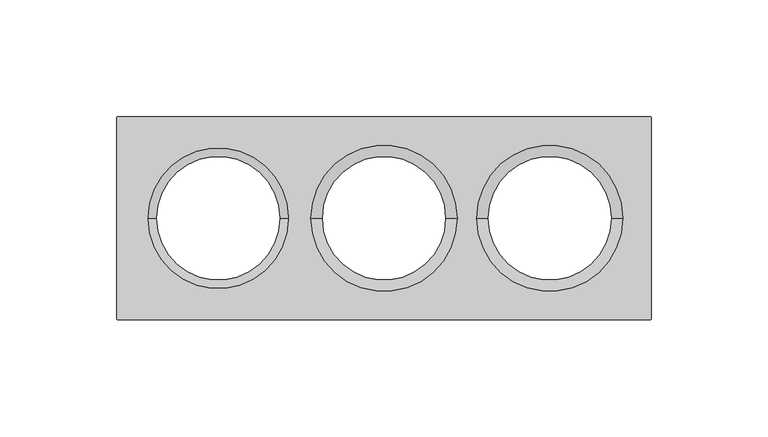
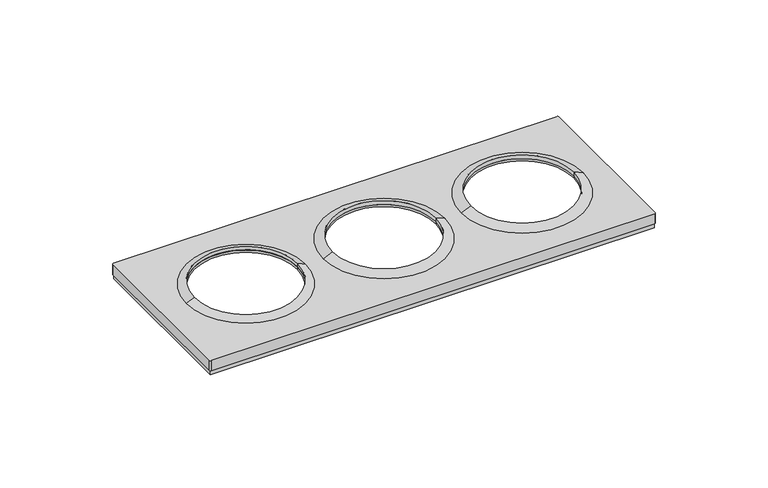
"""IFC4 building model written with IfcOpenShell, lengths in millimetres: proxy geometry."""

from ifc_helpers import new_model, si_unit, frame, origin, origin_with_axes, place, context, project, spatial, polyline, circle_curve, outline, extrude, source, transform, mapped, element, save
from ifc_brep_helpers import plane_surface, cylinder_surface, revolved_surface, advanced_brep


def electrical_fixtures_28dfe4ef(model_context):
    return source(origin(), model_context, "Body", "SolidModel", [
        advanced_brep(
        [(102.2841563, 0.0, 8.0076008), (39.7158437, 0.0, 8.0076008), (44.5, 0.0, 10.1), (97.5, 0.0, 10.1), (97.5, 0.0, 8.0076008), (44.5, 0.0, 8.0076008)],
        [
            (0, 1, circle_curve(frame((71.0, 0.0, 8.0076008), z_axis=(0.0, 0.0, 1.0), x_axis=(-1.0, 0.0, 0.0)), 31.2841563)),
            (1, 2),
            (2, 3, circle_curve(frame((71.0, 0.0, 10.1), z_axis=(0.0, 0.0, -1.0), x_axis=(-1.0, 0.0, 0.0)), 26.5)),
            (3, 0),
            (1, 0, circle_curve(frame((71.0, 0.0, 8.0076008), z_axis=(0.0, 0.0, 1.0), x_axis=(-1.0, 0.0, 0.0)), 31.2841563)),
            (3, 2, circle_curve(frame((71.0, 0.0, 10.1), z_axis=(0.0, 0.0, -1.0), x_axis=(-1.0, 0.0, 0.0)), 26.5)),
            (0, 4),
            (4, 5, circle_curve(frame((71.0, 0.0, 8.0076008), z_axis=(0.0, 0.0, 1.0), x_axis=(-1.0, 0.0, 0.0)), 26.5)),
            (5, 1),
            (5, 4, circle_curve(frame((71.0, 0.0, 8.0076008), z_axis=(0.0, 0.0, 1.0), x_axis=(-1.0, 0.0, 0.0)), 26.5)),
            (2, 5),
            (4, 3),
        ],
        [
            revolved_surface(polyline([(44.5, 0.0, 10.1), (39.7158437, 0.0, 8.0076008)]), (71.0, 0.0, 2609.0581012), (0.0, 0.0, -1.0)),
            plane_surface(frame((71.0, 0.0, 8.0076008), z_axis=(0.0, 0.0, -1.0), x_axis=(-1.0, 0.0, 0.0))),
            revolved_surface(polyline([(44.5, 0.0, 8.007600800000091), (44.5, 0.0, 10.099999999999909)]), (71.0, 0.0, 2609.0581012), (0.0, 0.0, -1.0)),
        ],
        [
            (0, [[1, 2, 3, 4]]),
            (0, [[-2, 5, -4, 6]]),
            (1, [[-1, 7, 8, 9]]),
            (1, [[-5, -9, 10, -7]]),
            (2, [[-3, 11, -8, 12]]),
            (2, [[-6, -12, -10, -11]]),
        ],
    ),
        advanced_brep(
        [(31.2841563, 0.0, 8.0076008), (-31.2841563, 0.0, 8.0076008), (-26.5, 0.0, 10.1), (26.5, 0.0, 10.1), (26.5, 0.0, 8.0076008), (-26.5, 0.0, 8.0076008)],
        [
            (0, 1, circle_curve(frame((0.0, 0.0, 8.0076008), z_axis=(0.0, 0.0, 1.0), x_axis=(-1.0, 0.0, 0.0)), 31.2841563)),
            (1, 2),
            (2, 3, circle_curve(frame((0.0, 0.0, 10.1), z_axis=(0.0, 0.0, -1.0), x_axis=(-1.0, 0.0, 0.0)), 26.5)),
            (3, 0),
            (1, 0, circle_curve(frame((0.0, 0.0, 8.0076008), z_axis=(0.0, 0.0, 1.0), x_axis=(-1.0, 0.0, 0.0)), 31.2841563)),
            (3, 2, circle_curve(frame((0.0, 0.0, 10.1), z_axis=(0.0, 0.0, -1.0), x_axis=(-1.0, 0.0, 0.0)), 26.5)),
            (0, 4),
            (4, 5, circle_curve(frame((0.0, 0.0, 8.0076008), z_axis=(0.0, 0.0, 1.0), x_axis=(-1.0, 0.0, 0.0)), 26.5)),
            (5, 1),
            (5, 4, circle_curve(frame((0.0, 0.0, 8.0076008), z_axis=(0.0, 0.0, 1.0), x_axis=(-1.0, 0.0, 0.0)), 26.5)),
            (2, 5),
            (4, 3),
        ],
        [
            revolved_surface(polyline([(-26.5, 0.0, 10.1), (-31.2841563, 0.0, 8.0076008)]), (0.0, 0.0, 2609.0581012), (0.0, 0.0, -1.0)),
            plane_surface(frame((0.0, 0.0, 8.0076008), z_axis=(0.0, 0.0, -1.0), x_axis=(-1.0, 0.0, 0.0))),
            revolved_surface(polyline([(-26.5, 0.0, 8.007600800000091), (-26.5, 0.0, 10.099999999999909)]), (0.0, 0.0, 2609.0581012), (0.0, 0.0, -1.0)),
        ],
        [
            (0, [[1, 2, 3, 4]]),
            (0, [[-2, 5, -4, 6]]),
            (1, [[-1, 7, 8, 9]]),
            (1, [[-5, -9, 10, -7]]),
            (2, [[-3, 11, -8, 12]]),
            (2, [[-6, -12, -10, -11]]),
        ],
    ),
        advanced_brep(
        [(-114.5, -42.9369707, 8.0076008), (-113.9369707, -43.5, 8.0076008), (113.9369707, -43.5, 8.0076008), (114.5, -42.9369707, 8.0076008), (114.5, 42.9369707, 8.0076008), (113.9369707, 43.5, 8.0076008), (-113.9369707, 43.5, 8.0076008), (-114.5, 42.9369707, 8.0076008), (-97.5, 0.0, 8.0076008), (-44.5, 0.0, 8.0076008), (-26.5, 0.0, 8.0076008), (26.5, 0.0, 8.0076008), (44.5, 0.0, 8.0076008), (97.5, 0.0, 8.0076008), (-114.5, -42.9369707, 2.5), (-114.5, 42.9369707, 2.5), (-113.9369707, 43.5, 2.5), (113.9369707, 43.5, 2.5), (114.5, 42.9369707, 2.5), (114.5, -42.9369707, 2.5), (113.9369707, -43.5, 2.5), (-113.9369707, -43.5, 2.5), (113.5, 42.5, 2.5), (-113.5, 42.5, 2.5), (-113.5, -42.5, 2.5), (113.5, -42.5, 2.5), (-97.5, 0.0, 6.7956384), (-44.5, 0.0, 6.7956384), (113.5, 42.5, 6.7956384), (113.5, -42.5, 6.7956384), (-113.5, -42.5, 6.7956384), (-113.5, 42.5, 6.7956384), (26.5, 0.0, 6.7956384), (-26.5, 0.0, 6.7956384), (97.5, 0.0, 6.7956384), (44.5, 0.0, 6.7956384)],
        [
            (0, 1, circle_curve(frame((-113.9369707, -42.9369707, 8.0076008), z_axis=(0.0, 0.0, 1.0), x_axis=(1.0, 0.0, 0.0)), 0.5630293)),
            (1, 2),
            (2, 3, circle_curve(frame((113.9369707, -42.9369707, 8.0076008), z_axis=(0.0, 0.0, 1.0), x_axis=(-1.0, 0.0, 0.0)), 0.5630293)),
            (3, 4),
            (4, 5, circle_curve(frame((113.9369707, 42.9369707, 8.0076008), z_axis=(0.0, 0.0, 1.0), x_axis=(-1.0, 0.0, 0.0)), 0.5630293)),
            (5, 6),
            (6, 7, circle_curve(frame((-113.9369707, 42.9369707, 8.0076008), z_axis=(0.0, 0.0, 1.0), x_axis=(1.0, 0.0, 0.0)), 0.5630293)),
            (7, 0),
            (8, 9, circle_curve(frame((-71.0, 0.0, 8.0076008), z_axis=(0.0, 0.0, -1.0), x_axis=(-1.0, 0.0, 0.0)), 26.5)),
            (9, 8, circle_curve(frame((-71.0, 0.0, 8.0076008), z_axis=(0.0, 0.0, -1.0), x_axis=(-1.0, 0.0, 0.0)), 26.5)),
            (10, 11, circle_curve(frame((0.0, 0.0, 8.0076008), z_axis=(0.0, 0.0, -1.0), x_axis=(-1.0, 0.0, 0.0)), 26.5)),
            (11, 10, circle_curve(frame((0.0, 0.0, 8.0076008), z_axis=(0.0, 0.0, -1.0), x_axis=(-1.0, 0.0, 0.0)), 26.5)),
            (12, 13, circle_curve(frame((71.0, 0.0, 8.0076008), z_axis=(0.0, 0.0, -1.0), x_axis=(-1.0, 0.0, 0.0)), 26.5)),
            (13, 12, circle_curve(frame((71.0, 0.0, 8.0076008), z_axis=(0.0, 0.0, -1.0), x_axis=(-1.0, 0.0, 0.0)), 26.5)),
            (14, 15),
            (15, 16, circle_curve(frame((-113.9369707, 42.9369707, 2.5), z_axis=(0.0, 0.0, -1.0), x_axis=(1.0, 0.0, 0.0)), 0.5630293)),
            (16, 17),
            (17, 18, circle_curve(frame((113.9369707, 42.9369707, 2.5), z_axis=(0.0, 0.0, -1.0), x_axis=(-1.0, 0.0, 0.0)), 0.5630293)),
            (18, 19),
            (19, 20, circle_curve(frame((113.9369707, -42.9369707, 2.5), z_axis=(0.0, 0.0, -1.0), x_axis=(-1.0, 0.0, 0.0)), 0.5630293)),
            (20, 21),
            (21, 14, circle_curve(frame((-113.9369707, -42.9369707, 2.5), z_axis=(0.0, 0.0, -1.0), x_axis=(1.0, 0.0, 0.0)), 0.5630293)),
            (22, 23),
            (23, 24),
            (24, 25),
            (25, 22),
            (0, 14),
            (21, 1),
            (20, 2),
            (19, 3),
            (18, 4),
            (17, 5),
            (16, 6),
            (15, 7),
            (8, 26),
            (26, 27, circle_curve(frame((-71.0, 0.0, 6.7956384), z_axis=(0.0, 0.0, -1.0), x_axis=(-1.0, 0.0, 0.0)), 26.5)),
            (27, 9),
            (27, 26, circle_curve(frame((-71.0, 0.0, 6.7956384), z_axis=(0.0, 0.0, -1.0), x_axis=(-1.0, 0.0, 0.0)), 26.5)),
            (28, 29),
            (29, 30),
            (30, 31),
            (31, 28),
            (32, 33, circle_curve(frame((0.0, 0.0, 6.7956384), z_axis=(0.0, 0.0, 1.0), x_axis=(-1.0, 0.0, 0.0)), 26.5)),
            (33, 32, circle_curve(frame((0.0, 0.0, 6.7956384), z_axis=(0.0, 0.0, 1.0), x_axis=(-1.0, 0.0, 0.0)), 26.5)),
            (34, 35, circle_curve(frame((71.0, 0.0, 6.7956384), z_axis=(0.0, 0.0, 1.0), x_axis=(-1.0, 0.0, 0.0)), 26.5)),
            (35, 34, circle_curve(frame((71.0, 0.0, 6.7956384), z_axis=(0.0, 0.0, 1.0), x_axis=(-1.0, 0.0, 0.0)), 26.5)),
            (31, 23),
            (22, 28),
            (30, 24),
            (29, 25),
            (32, 11),
            (10, 33),
            (34, 13),
            (12, 35),
        ],
        [
            plane_surface(frame((-113.3739414, -42.9369707, 8.0076008), z_axis=(0.0, 0.0, 1.0), x_axis=(0.0, 1.0, 0.0))),
            plane_surface(frame((-113.3739414, -42.9369707, 2.5), z_axis=(0.0, 0.0, -1.0), x_axis=(0.0, -1.0, 0.0))),
            cylinder_surface(frame((-113.9369707, -42.9369707, 2.5), z_axis=(0.0, 0.0, 1.0), x_axis=(1.0, 0.0, 0.0)), 0.5630293),
            plane_surface(frame((-113.9369707, -43.5, 8.0076008), z_axis=(0.0, -1.0, 0.0), x_axis=(0.0, 0.0, -1.0))),
            cylinder_surface(frame((113.9369707, -42.9369707, 2.5), z_axis=(0.0, 0.0, 1.0), x_axis=(-1.0, 0.0, 0.0)), 0.5630293),
            plane_surface(frame((114.5, -42.9369707, 8.0076008), z_axis=(1.0, 0.0, 0.0), x_axis=(0.0, 0.0, -1.0))),
            cylinder_surface(frame((113.9369707, 42.9369707, 2.5), z_axis=(0.0, 0.0, 1.0), x_axis=(-1.0, 0.0, 0.0)), 0.5630293),
            plane_surface(frame((113.9369707, 43.5, 8.0076008), z_axis=(0.0, 1.0, 0.0), x_axis=(0.0, 0.0, -1.0))),
            cylinder_surface(frame((-113.9369707, 42.9369707, 2.5), z_axis=(0.0, 0.0, 1.0), x_axis=(1.0, 0.0, 0.0)), 0.5630293),
            plane_surface(frame((-114.5, 42.9369707, 8.0076008), z_axis=(-1.0, 0.0, 0.0), x_axis=(0.0, 0.0, -1.0))),
            revolved_surface(polyline([(-97.5, 0.0, 8.0076008), (-97.5, 0.0, 6.7956384)]), (-71.0, 0.0, 0.0), (0.0, 0.0, 1.0)),
            plane_surface(frame((-42.5, 42.5, 6.7956384), z_axis=(0.0, 0.0, -1.0), x_axis=(-1.0, 0.0, 0.0))),
            plane_surface(frame((113.5, 42.5, 6.7956384), z_axis=(0.0, -1.0, 0.0), x_axis=(0.0, 0.0, -1.0))),
            plane_surface(frame((-113.5, 42.5, 6.7956384), z_axis=(1.0, 0.0, 0.0), x_axis=(0.0, 0.0, -1.0))),
            plane_surface(frame((-113.5, -42.5, 6.7956384), z_axis=(0.0, 1.0, 0.0), x_axis=(0.0, 0.0, -1.0))),
            plane_surface(frame((113.5, -42.5, 6.7956384), z_axis=(-1.0, 0.0, 0.0), x_axis=(0.0, 0.0, -1.0))),
            revolved_surface(polyline([(-26.5, 0.0, 8.0076008), (-26.5, 0.0, 6.7956384)]), (0.0, 0.0, 0.0), (0.0, 0.0, 1.0)),
            revolved_surface(polyline([(44.5, 0.0, 8.0076008), (44.5, 0.0, 6.7956384)]), (71.0, 0.0, 0.0), (0.0, 0.0, 1.0)),
        ],
        [
            (0, [[1, 2, 3, 4, 5, 6, 7, 8], [9, 10], [11, 12], [13, 14]]),
            (1, [[15, 16, 17, 18, 19, 20, 21, 22], [23, 24, 25, 26]]),
            (2, [[-1, 27, -22, 28]]),
            (3, [[-2, -28, -21, 29]]),
            (4, [[-3, -29, -20, 30]]),
            (5, [[-4, -30, -19, 31]]),
            (6, [[-5, -31, -18, 32]]),
            (7, [[-6, -32, -17, 33]]),
            (8, [[-7, -33, -16, 34]]),
            (9, [[-8, -34, -15, -27]]),
            (10, [[-9, 35, 36, 37]]),
            (10, [[-10, -37, 38, -35]]),
            (11, [[39, 40, 41, 42], [-36, -38], [43, 44], [45, 46]]),
            (12, [[-42, 47, -23, 48]]),
            (13, [[-41, 49, -24, -47]]),
            (14, [[-40, 50, -25, -49]]),
            (15, [[-39, -48, -26, -50]]),
            (16, [[51, -11, 52, -43]]),
            (16, [[-51, -44, -52, -12]]),
            (17, [[53, -13, 54, -45]]),
            (17, [[-53, -46, -54, -14]]),
        ],
    ),
        advanced_brep(
        [(-39.7158437, 0.0, 8.0076008), (-102.2841563, 0.0, 8.0076008), (-97.5, 0.0, 10.1), (-44.5, 0.0, 10.1), (-44.5, 0.0, 8.0076008), (-97.5, 0.0, 8.0076008)],
        [
            (0, 1, circle_curve(frame((-71.0, 0.0, 8.0076008), z_axis=(0.0, 0.0, 1.0), x_axis=(-1.0, 0.0, 0.0)), 31.2841563)),
            (1, 2),
            (2, 3, circle_curve(frame((-71.0, 0.0, 10.1), z_axis=(0.0, 0.0, -1.0), x_axis=(-1.0, 0.0, 0.0)), 26.5)),
            (3, 0),
            (1, 0, circle_curve(frame((-71.0, 0.0, 8.0076008), z_axis=(0.0, 0.0, 1.0), x_axis=(-1.0, 0.0, 0.0)), 31.2841563)),
            (3, 2, circle_curve(frame((-71.0, 0.0, 10.1), z_axis=(0.0, 0.0, -1.0), x_axis=(-1.0, 0.0, 0.0)), 26.5)),
            (0, 4),
            (4, 5, circle_curve(frame((-71.0, 0.0, 8.0076008), z_axis=(0.0, 0.0, 1.0), x_axis=(-1.0, 0.0, 0.0)), 26.5)),
            (5, 1),
            (5, 4, circle_curve(frame((-71.0, 0.0, 8.0076008), z_axis=(0.0, 0.0, 1.0), x_axis=(-1.0, 0.0, 0.0)), 26.5)),
            (2, 5),
            (4, 3),
        ],
        [
            revolved_surface(polyline([(-97.5, 0.0, 10.1), (-102.2841563, 0.0, 8.0076008)]), (-71.0, 0.0, 2609.0581012), (0.0, 0.0, -1.0)),
            plane_surface(frame((-71.0, 0.0, 8.0076008), z_axis=(0.0, 0.0, -1.0), x_axis=(-1.0, 0.0, 0.0))),
            revolved_surface(polyline([(-97.5, 0.0, 8.007600800000091), (-97.5, 0.0, 10.099999999999909)]), (-71.0, 0.0, 2609.0581012), (0.0, 0.0, -1.0)),
        ],
        [
            (0, [[1, 2, 3, 4]]),
            (0, [[-2, 5, -4, 6]]),
            (1, [[-1, 7, 8, 9]]),
            (1, [[-5, -9, 10, -7]]),
            (2, [[-3, 11, -8, 12]]),
            (2, [[-6, -12, -10, -11]]),
        ],
    ),
        extrude(outline(polyline([(-114.0, -43.0), (-114.0, 43.0), (114.0, 43.0), (114.0, -43.0), (-114.0, -43.0)]), holes=[polyline([(-113.5, -42.5), (113.5, -42.5), (113.5, 42.5), (-113.5, 42.5), (-113.5, -42.5)])]), origin_with_axes(), (0.0, 0.0, 1.0), 2.5),
    ])


if __name__ == "__main__":
    model = new_model("IFC4")
    model_context = context("Model", 3, world=origin())
    ifc_project = project(units=[si_unit("LENGTHUNIT", "METRE", prefix="MILLI")], contexts=[model_context])
    site = spatial("IfcSite", under=ifc_project)
    building = spatial("IfcBuilding", under=site)
    placement = place(None, origin())
    electrical_fixtures_shape = electrical_fixtures_28dfe4ef(model_context)
    element("IfcBuildingElementProxy", 1, Name="Electrical Fixtures", at=placement, inside=building, context=model_context, shape_type="MappedRepresentation", body=[
        mapped(electrical_fixtures_shape, transform((0.0, 0.0, 0.0), x_axis=(1.0, 0.0, 0.0), y_axis=(0.0, 1.0, 0.0), z_axis=(0.0, 0.0, 1.0))),
    ])
    save(model, "model.ifc")
